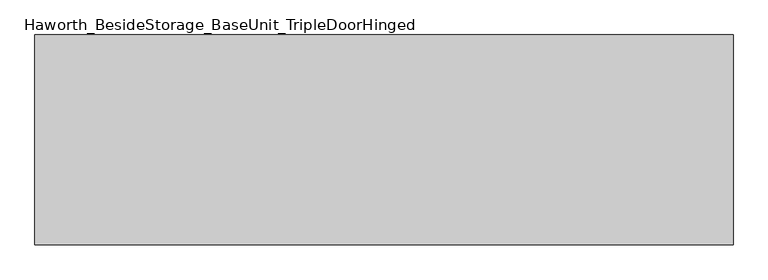
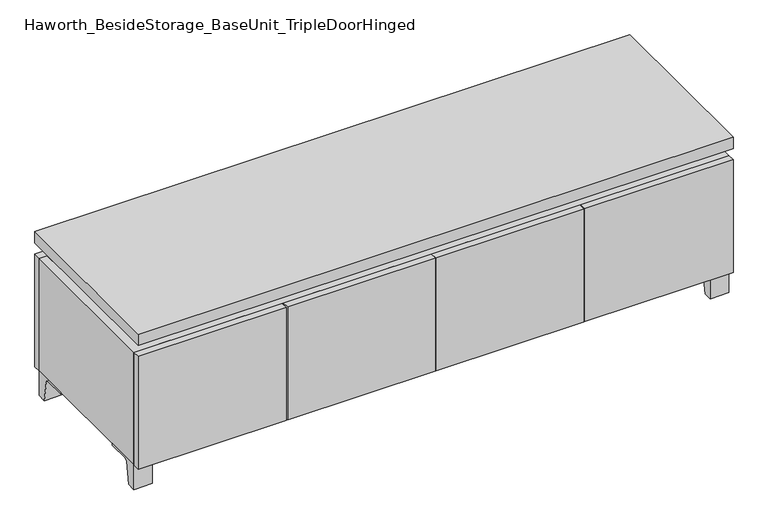
"""IFC4 building model written with IfcOpenShell, lengths in millimetres: furniture geometry, Haworth_BesideStorage_BaseUnit_TripleDoorHinged."""

import ifcopenshell
import ifcopenshell.guid

model = None  # the IFC model being written
_history = None  # IfcOwnerHistory: only IFC2X3 demands one
_inside = {}  # id of a spatial element -> (the spatial element, [elements in it])
_under = {}  # id of a project, library or spatial element -> (it, [spatial elements below it])
_declared = {}  # id of a project -> (the project, [libraries it declares])
_typed = {}  # id of a type object -> (the type object, [elements of that type])
_made_of = {}  # id of a material, layer set ... -> (it, [elements and type objects made of it])


def new_model(schema):
    """Start an empty IFC model of exactly this schema.

    Asked for "IFC4X3", IfcOpenShell would pick the latest addendum, in which some entities
    have other attributes; the version numbers below select the first issue.
    IFC2X3 requires an IfcOwnerHistory on every rooted entity: one is made here for all.
    """
    global model, _history
    if schema == "IFC4X3":
        model = ifcopenshell.file(schema_version=(4, 3, 0, 0))
    else:
        model = ifcopenshell.file(schema=schema)
    _inside.clear()
    _under.clear()
    _declared.clear()
    _typed.clear()
    _made_of.clear()
    _history = None
    if model.schema == "IFC2X3":
        org = make("IfcOrganization", Name="unknown")
        user = make(
            "IfcPersonAndOrganization",
            ThePerson=make("IfcPerson", FamilyName="unknown"),
            TheOrganization=org,
        )
        app = make(
            "IfcApplication",
            ApplicationDeveloper=org,
            Version="unknown",
            ApplicationFullName="unknown",
            ApplicationIdentifier="unknown",
        )
        _history = make(
            "IfcOwnerHistory",
            OwningUser=user,
            OwningApplication=app,
            ChangeAction="ADDED",
            CreationDate=0,
        )
    return model


def make(cls, **values):
    """One entity of the class cls with the attributes given. An attribute that is None is left unset."""
    return model.create_entity(
        cls, **{name: value for name, value in values.items() if value is not None}
    )


def rooted(cls, **values):
    """An entity with a GlobalId (a new one), such as an element, a storey or a relation."""
    return make(cls, GlobalId=ifcopenshell.guid.new(), OwnerHistory=_history, **values)


def si_unit(unit_type, name, prefix=None):
    """IfcSIUnit, for example si_unit("LENGTHUNIT", "METRE", prefix="MILLI")."""
    return make("IfcSIUnit", UnitType=unit_type, Prefix=prefix, Name=name)


def assignment(units):
    """IfcUnitAssignment: the units of a project."""
    return None if units is None else make("IfcUnitAssignment", Units=units)


def point(xyz):
    """IfcCartesianPoint."""
    return None if xyz is None else make("IfcCartesianPoint", Coordinates=xyz)


def direction(xyz):
    """IfcDirection."""
    return None if xyz is None else make("IfcDirection", DirectionRatios=xyz)


def frame(location, z_axis=None, x_axis=None):
    """IfcAxis2Placement3D, a coordinate frame: its origin and axes. An axis left out is left unset."""
    return make(
        "IfcAxis2Placement3D",
        Location=point(location),
        Axis=direction(z_axis),
        RefDirection=direction(x_axis),
    )


def frame_2d(location, x_axis=None):
    """IfcAxis2Placement2D, a coordinate frame in the plane: its origin and x axis."""
    return make(
        "IfcAxis2Placement2D", Location=point(location), RefDirection=direction(x_axis)
    )


def origin():
    """The frame at (0, 0, 0) with its axes left unset."""
    return frame((0.0, 0.0, 0.0))


def place(relative_to, where):
    """IfcLocalPlacement: puts the frame where relative to a parent placement (None: the world)."""
    return make(
        "IfcLocalPlacement", PlacementRelTo=relative_to, RelativePlacement=where
    )


def context(
    kind, dimensions, precision=None, world=None, true_north=None, identifier=None
):
    """IfcGeometricRepresentationContext, for example the 3D "Model" context."""
    return make(
        "IfcGeometricRepresentationContext",
        ContextIdentifier=identifier,
        ContextType=kind,
        CoordinateSpaceDimension=dimensions,
        Precision=precision,
        WorldCoordinateSystem=world,
        TrueNorth=true_north,
    )


def project(units=None, contexts=None):
    """IfcProject with its units and contexts."""
    return rooted(
        "IfcProject",
        Name="project",
        RepresentationContexts=contexts,
        UnitsInContext=assignment(units),
    )


def spatial(cls, under=None, at=None, **own):
    """A site, building, storey or space (cls), placed at a placement, below another one or the project."""
    s = rooted(cls, ObjectPlacement=at, **own)
    if under is not None:
        _under.setdefault(under.id(), (under, []))[1].append(s)
    return s


def polyline(points):
    """IfcPolyline through the points."""
    return make("IfcPolyline", Points=[point(p) for p in points])


def circle_curve(where, radius):
    """IfcCircle in the frame where."""
    return make("IfcCircle", Position=where, Radius=radius)


def trimmed(basis, trim1, trim2, sense, master):
    """IfcTrimmedCurve: the piece of a basis curve between two trims."""
    return make(
        "IfcTrimmedCurve",
        BasisCurve=basis,
        Trim1=trim1,
        Trim2=trim2,
        SenseAgreement=sense,
        MasterRepresentation=master,
    )


def segment(curve, same_sense, transition):
    """IfcCompositeCurveSegment."""
    return make(
        "IfcCompositeCurveSegment",
        Transition=transition,
        SameSense=same_sense,
        ParentCurve=curve,
    )


def composite_curve(segments, self_intersect=None):
    """IfcCompositeCurve: segments joined end to end."""
    return make("IfcCompositeCurve", Segments=segments, SelfIntersect=self_intersect)


def outline(outer, holes=None, kind="AREA"):
    """IfcArbitraryClosedProfileDef: a profile drawn as a closed curve; with holes, ...WithVoids."""
    if holes is None:
        return make("IfcArbitraryClosedProfileDef", ProfileType=kind, OuterCurve=outer)
    return make(
        "IfcArbitraryProfileDefWithVoids",
        ProfileType=kind,
        OuterCurve=outer,
        InnerCurves=holes,
    )


def extrude(swept, where, along, depth):
    """IfcExtrudedAreaSolid: the profile swept, set in the frame where, extruded along a direction by depth."""
    return make(
        "IfcExtrudedAreaSolid",
        SweptArea=swept,
        Position=where,
        ExtrudedDirection=direction(along),
        Depth=depth,
    )


def faces_of(points, faces, orient=None, outer=None):
    """IfcFace entities. A face is a list of loops; a loop is a list of indices into points, from 0.

    orient and outer hold one flag for each loop. By default every Orientation is true, the
    first loop of a face is its IfcFaceOuterBound and the others are IfcFaceBound.
    """
    made = []
    for i, loops in enumerate(faces):
        bounds = []
        for j, loop in enumerate(loops):
            is_outer = j == 0 if outer is None else outer[i][j]
            bounds.append(
                make(
                    "IfcFaceOuterBound" if is_outer else "IfcFaceBound",
                    Bound=make("IfcPolyLoop", Polygon=[points[k] for k in loop]),
                    Orientation=True if orient is None else orient[i][j],
                )
            )
        made.append(make("IfcFace", Bounds=bounds))
    return made


def faceted_brep(points, faces, orient=None, outer=None, voids=None):
    """IfcFacetedBrep: a solid bounded by flat faces; with voids (closed shells), ...WithVoids."""
    shared = [point(p) for p in points]
    hull = make("IfcClosedShell", CfsFaces=faces_of(shared, faces, orient, outer))
    if voids is None:
        return make("IfcFacetedBrep", Outer=hull)
    return make(
        "IfcFacetedBrepWithVoids",
        Outer=hull,
        Voids=[
            make(cls, CfsFaces=faces_of(shared, fs, o, b)) for cls, fs, o, b in voids
        ],
    )


def shape(context_of_items, identifier, shape_type, items):
    """IfcShapeRepresentation: the items that make up one representation, for example the "Body"."""
    return make(
        "IfcShapeRepresentation",
        ContextOfItems=context_of_items,
        RepresentationIdentifier=identifier,
        RepresentationType=shape_type,
        Items=items,
    )


def source(mapping_origin, context_of_items, identifier, shape_type, items):
    """IfcRepresentationMap: a shape defined once, which mapped items show again and again."""
    return make(
        "IfcRepresentationMap",
        MappingOrigin=mapping_origin,
        MappedRepresentation=shape(context_of_items, identifier, shape_type, items),
    )


def transform(
    local_origin,
    x_axis=None,
    y_axis=None,
    z_axis=None,
    scale=None,
    scale2=None,
    scale3=None,
    uniform=True,
):
    """IfcCartesianTransformationOperator3D, or its non-uniform kind. x_axis, y_axis, z_axis: its Axis1, 2, 3."""
    if uniform:
        return make(
            "IfcCartesianTransformationOperator3D",
            Axis1=direction(x_axis),
            Axis2=direction(y_axis),
            LocalOrigin=point(local_origin),
            Scale=scale,
            Axis3=direction(z_axis),
        )
    return make(
        "IfcCartesianTransformationOperator3DnonUniform",
        Axis1=direction(x_axis),
        Axis2=direction(y_axis),
        LocalOrigin=point(local_origin),
        Scale=scale,
        Axis3=direction(z_axis),
        Scale2=scale2,
        Scale3=scale3,
    )


def mapped(mapping_source, mapping_target):
    """IfcMappedItem: shows the shape of a source again, moved by a transform."""
    return make(
        "IfcMappedItem", MappingSource=mapping_source, MappingTarget=mapping_target
    )


def made_of(thing, what):
    """Note that an element or type object is made of a material, layer set ...; save() writes the relation."""
    if what is not None:
        _made_of.setdefault(what.id(), (what, []))[1].append(thing)
    return thing


def element(
    cls,
    number,
    at=None,
    inside=None,
    cuts=None,
    type_object=None,
    material=None,
    context=None,
    identifier="Body",
    shape_type=None,
    held_by="IfcProductDefinitionShape",
    body=None,
    shapes=None,
    **own,
):
    """One element of the class cls, such as IfcWall. Its Tag is "e" and its number.

    at: its placement. inside: the storey or other place that contains it. cuts: it is an
    opening in that element (IfcRelVoidsElement). A single representation is given by context,
    identifier, shape_type and body (its items); several are given by shapes. held_by: the class
    of the entity that holds the representations. save() writes the other relations.
    """
    e = rooted(cls, Tag="e%d" % number, ObjectPlacement=at, **own)
    if body is not None:
        shapes = [shape(context, identifier, shape_type, body)]
    if shapes is not None:
        e.Representation = make(held_by, Representations=shapes)
    if inside is not None:
        _inside.setdefault(inside.id(), (inside, []))[1].append(e)
    if cuts is not None:
        rooted(
            "IfcRelVoidsElement", RelatingBuildingElement=cuts, RelatedOpeningElement=e
        )
    if type_object is not None:
        _typed.setdefault(type_object.id(), (type_object, []))[1].append(e)
    return made_of(e, material)


def aggregate(whole, parts):
    """IfcRelAggregates: a whole, such as a stair, and the parts it consists of."""
    return rooted("IfcRelAggregates", RelatingObject=whole, RelatedObjects=parts)


def save(model, path):
    """Write the relations noted so far, then the file.

    IfcRelAggregates (storeys below a building ...), IfcRelContainedInSpatialStructure (elements
    in a storey), IfcRelDefinesByType, IfcRelAssociatesMaterial and IfcRelDeclares: one each for
    every whole, place, type object, material and project.
    """
    for whole, parts in _under.values():
        aggregate(whole, parts)
    for where, things in _inside.values():
        rooted(
            "IfcRelContainedInSpatialStructure",
            RelatedElements=things,
            RelatingStructure=where,
        )
    for kind, things in _typed.values():
        rooted("IfcRelDefinesByType", RelatedObjects=things, RelatingType=kind)
    for what, things in _made_of.values():
        rooted("IfcRelAssociatesMaterial", RelatedObjects=things, RelatingMaterial=what)
    for by, libraries in _declared.values():
        rooted("IfcRelDeclares", RelatingContext=by, RelatedDefinitions=libraries)
    model.write(path)


def haworth_besidestorage_baseunit_tripledoorhinged_a176bd1a(model_context):
    return source(origin(), model_context, "Body", "SolidModel", [
        extrude(outline(composite_curve([segment(polyline([(38.6291531, 0.0), (15.875, 0.0), (15.875, 66.675), (111.125, 66.675), (111.125, 61.8963321), (54.3244655, 61.8963321)]), True, "CONTINUOUS"), segment(trimmed(circle_curve(frame_2d((54.3244655, 55.5463321)), 6.35), [point((54.3244655, 61.8963321))], [point((48.0608641, 56.5902656))], True, "CARTESIAN"), True, "CONTINUOUS"), segment(polyline([(48.0608641, 56.5902656), (38.6291531, 0.0)]), True, "CONTINUOUS")], self_intersect=False)), frame((-23.7986094, 0.0, 0.0), z_axis=(1.0, 0.0, 0.0), x_axis=(0.0, 1.0, 0.0)), (0.0, 0.0, 1.0), 47.625),
        extrude(outline(composite_curve([segment(polyline([(-129.6458469, 0.0), (-152.4, 0.0), (-152.4, 66.675), (-57.15, 66.675), (-57.15, 61.8963321), (-113.9505345, 61.8963321)]), True, "CONTINUOUS"), segment(trimmed(circle_curve(frame_2d((-113.9505345, 55.5463321)), 6.35), [point((-113.9505345, 61.8963321))], [point((-120.2141359, 56.5902656))], True, "CARTESIAN"), True, "CONTINUOUS"), segment(polyline([(-120.2141359, 56.5902656), (-129.6458469, 0.0)]), True, "CONTINUOUS")], self_intersect=False)), frame((712.8013906, 0.0, 0.0), z_axis=(1.0, 0.0, 0.0), x_axis=(0.0, 1.0, 0.0)), (0.0, 0.0, 1.0), 47.625),
        extrude(outline(composite_curve([segment(polyline([(243.9458469, 0.0), (234.5141359, 56.5902656)]), True, "CONTINUOUS"), segment(trimmed(circle_curve(frame_2d((228.2505345, 55.5463321)), 6.35), [point((234.5141359, 56.5902656))], [point((228.2505345, 61.8963321))], True, "CARTESIAN"), True, "CONTINUOUS"), segment(polyline([(228.2505345, 61.8963321), (171.45, 61.8963321), (171.45, 66.675), (266.7, 66.675), (266.7, 0.0), (243.9458469, 0.0)]), True, "CONTINUOUS")], self_intersect=False)), frame((712.8013906, 0.0, 0.0), z_axis=(1.0, 0.0, 0.0), x_axis=(0.0, 1.0, 0.0)), (0.0, 0.0, 1.0), 47.625),
        extrude(outline(composite_curve([segment(polyline([(-129.6458469, 0.0), (-152.4, 0.0), (-152.4, 66.675), (-57.15, 66.675), (-57.15, 61.8963321), (-113.9505345, 61.8963321)]), True, "CONTINUOUS"), segment(trimmed(circle_curve(frame_2d((-113.9505345, 55.5463321)), 6.35), [point((-113.9505345, 61.8963321))], [point((-120.2141359, 56.5902656))], True, "CARTESIAN"), True, "CONTINUOUS"), segment(polyline([(-120.2141359, 56.5902656), (-129.6458469, 0.0)]), True, "CONTINUOUS")], self_intersect=False)), frame((-760.3986094, 0.0, 0.0), z_axis=(1.0, 0.0, 0.0), x_axis=(0.0, 1.0, 0.0)), (0.0, 0.0, 1.0), 47.625),
        extrude(outline(composite_curve([segment(polyline([(243.9458469, 0.0), (234.5141359, 56.5902656)]), True, "CONTINUOUS"), segment(trimmed(circle_curve(frame_2d((228.2505345, 55.5463321)), 6.35), [point((234.5141359, 56.5902656))], [point((228.2505345, 61.8963321))], True, "CARTESIAN"), True, "CONTINUOUS"), segment(polyline([(228.2505345, 61.8963321), (171.45, 61.8963321), (171.45, 66.675), (266.7, 66.675), (266.7, 0.0), (243.9458469, 0.0)]), True, "CONTINUOUS")], self_intersect=False)), frame((-760.3986094, 0.0, 0.0), z_axis=(1.0, 0.0, 0.0), x_axis=(0.0, 1.0, 0.0)), (0.0, 0.0, 1.0), 47.625),
        faceted_brep([(-760.3986094, -152.4, 66.675), (760.4125, -152.4, 66.675), (760.4125, -152.4, 371.475), (-760.3986094, -152.4, 371.475), (-741.3486094, -152.4, 85.725), (-741.3486094, -152.4, 352.425), (741.3694453, -152.4, 352.425), (741.3486094, -152.4, 85.725), (-760.3986094, 266.7, 66.675), (-760.3986094, 266.7, 371.475), (-741.3486094, 266.7, 371.475), (-741.3486094, 266.7, 85.725), (741.3486094, 266.7, 85.725), (741.3486094, 266.7, 371.475), (760.4125, 266.7, 371.475), (760.4125, 266.7, 66.675), (741.3486094, 241.3, 371.475), (-741.3416641, 241.3, 371.475), (-741.3486094, 241.3, 352.425), (741.3486094, 241.3, 352.425)], [[[0, 1, 2, 3], [4, 5, 6, 7]], [[8, 9, 10, 11, 12, 13, 14, 15]], [[1, 0, 8, 15]], [[2, 1, 15, 14]], [[3, 2, 14, 13, 16, 17, 10, 9]], [[0, 3, 9, 8]], [[11, 10, 17, 18, 5, 4]], [[13, 12, 7, 6, 19, 16]], [[4, 7, 12, 11]], [[6, 5, 18, 19]], [[17, 16, 19, 18]]]),
        extrude(outline(polyline([(760.4263906, -171.45), (-760.3986094, -171.45), (-760.3986094, 285.75), (760.4263906, 285.75), (760.4263906, -171.45)])), frame((0.0, 0.0, 401.6375), z_axis=(0.0, 0.0, 1.0), x_axis=(1.0, 0.0, 0.0)), (0.0, 0.0, 1.0), 30.1625),
        faceted_brep([(7.9513906, -76.2, 401.6375), (7.9513906, -76.2, 371.475), (7.9513906, 47.625, 371.475), (7.9513906, 47.625, 401.6375), (7.9513906, 190.5, 371.475), (7.9513906, 190.5, 401.6375), (7.9513906, 66.675, 401.6375), (7.9513906, 66.675, 371.475), (-7.9236094, 190.5, 401.6375), (-7.9236094, 190.5, 371.475), (-7.9236094, 66.675, 371.475), (-7.9236094, 66.675, 401.6375), (-7.9236094, -76.2, 371.475), (-7.9236094, -76.2, 401.6375), (-7.9236094, 47.625, 401.6375), (-7.9236094, 47.625, 371.475), (-719.0958281, 66.675, 401.6375), (-719.1166641, 241.3, 401.6375), (-734.9916641, 241.3, 401.6375), (-734.9916641, -127.0, 401.6375), (-719.1166641, -127.0, 401.6375), (-719.1166641, 47.625, 401.6375), (719.1236094, 47.625, 401.6375), (719.1236094, -127.0, 401.6375), (734.9986094, -127.0, 401.6375), (734.9986094, 241.3, 401.6375), (719.1236094, 241.3, 401.6375), (719.1236094, 66.675, 401.6375), (-719.0958281, 47.625, 371.475), (-719.1166641, -127.0, 371.475), (-734.9916641, -127.0, 371.475), (-734.9916641, 241.3, 371.475), (-719.1166641, 241.3, 371.475), (-719.1166641, 66.675, 371.475), (719.1236094, 66.675, 371.475), (719.1236094, 241.3, 371.475), (734.9986094, 241.3, 371.475), (734.9986094, -127.0, 371.475), (719.1236094, -127.0, 371.475), (719.1236094, 47.625, 371.475)], [[[0, 1, 2, 3]], [[4, 5, 6, 7]], [[8, 9, 10, 11]], [[12, 13, 14, 15]], [[5, 8, 11, 16, 17, 18, 19, 20, 21, 14, 13, 0, 3, 22, 23, 24, 25, 26, 27, 6]], [[1, 12, 15, 28, 29, 30, 31, 32, 33, 10, 9, 4, 7, 34, 35, 36, 37, 38, 39, 2]], [[5, 4, 9, 8]], [[1, 0, 13, 12]], [[6, 27, 34, 7]], [[22, 3, 2, 39]], [[20, 29, 28, 21]], [[32, 17, 16, 33]], [[18, 31, 30, 19]], [[29, 20, 19, 30]], [[17, 32, 31, 18]], [[26, 35, 34, 27]], [[38, 23, 22, 39]], [[25, 24, 37, 36]], [[23, 38, 37, 24]], [[35, 26, 25, 36]], [[16, 11, 10, 33]], [[14, 21, 28, 15]]]),
        extrude(outline(polyline([(760.4263906, 266.7), (-760.3986094, 266.7), (-760.3986094, 285.75), (760.4263906, 285.75), (760.4263906, 266.7)])), frame((0.0, 0.0, 66.675), z_axis=(0.0, 0.0, 1.0), x_axis=(1.0, 0.0, 0.0)), (0.0, 0.0, 1.0), 304.8),
        extrude(outline(polyline([(-741.3416641, 196.85), (-741.3416641, 203.2), (741.3694453, 203.2), (741.3694453, 196.85), (-741.3416641, 196.85)])), frame((0.0, 0.0, 85.725), z_axis=(0.0, 0.0, 1.0), x_axis=(1.0, 0.0, 0.0)), (0.0, 0.0, 1.0), 266.7),
        extrude(outline(polyline([(381.8076406, -171.45), (381.8076406, -152.4), (760.4263906, -152.4), (760.4263906, -171.45), (381.8076406, -171.45)])), frame((0.0, 0.0, 66.675), z_axis=(0.0, 0.0, 1.0), x_axis=(1.0, 0.0, 0.0)), (0.0, 0.0, 1.0), 304.8),
        extrude(outline(polyline([(-381.7798594, -171.45), (-760.3986094, -171.45), (-760.3986094, -152.4), (-381.7798594, -152.4), (-381.7798594, -171.45)])), frame((0.0, 0.0, 66.675), z_axis=(0.0, 0.0, 1.0), x_axis=(1.0, 0.0, 0.0)), (0.0, 0.0, 1.0), 304.8),
        extrude(outline(polyline([(0.0138906, -171.45), (0.0138906, -152.4), (378.6326406, -152.4), (378.6326406, -171.45), (0.0138906, -171.45)])), frame((0.0, 0.0, 66.675), z_axis=(0.0, 0.0, 1.0), x_axis=(1.0, 0.0, 0.0)), (0.0, 0.0, 1.0), 304.8),
        extrude(outline(polyline([(0.0138906, -171.45), (-378.6048594, -171.45), (-378.6048594, -152.4), (0.0138906, -152.4), (0.0138906, -171.45)])), frame((0.0, 0.0, 66.675), z_axis=(0.0, 0.0, 1.0), x_axis=(1.0, 0.0, 0.0)), (0.0, 0.0, 1.0), 304.8),
        extrude(outline(polyline([(370.6951406, 196.85), (389.7451406, 196.85), (389.7451406, -152.4), (370.6951406, -152.4), (370.6951406, 196.85)])), frame((0.0, 0.0, 85.725), z_axis=(0.0, 0.0, 1.0), x_axis=(1.0, 0.0, 0.0)), (0.0, 0.0, 1.0), 266.7),
        extrude(outline(polyline([(-389.7173594, 196.85), (-370.6673594, 196.85), (-370.6673594, -152.4), (-389.7173594, -152.4), (-389.7173594, 196.85)])), frame((0.0, 0.0, 85.725), z_axis=(0.0, 0.0, 1.0), x_axis=(1.0, 0.0, 0.0)), (0.0, 0.0, 1.0), 266.7),
    ])


if __name__ == "__main__":
    model = new_model("IFC4")
    model_context = context("Model", 3, world=origin())
    ifc_project = project(units=[si_unit("LENGTHUNIT", "METRE", prefix="MILLI")], contexts=[model_context])
    site = spatial("IfcSite", under=ifc_project)
    building = spatial("IfcBuilding", under=site)
    placement = place(None, origin())
    haworth_besidestorage_baseunit_tripledoorhinged_shape = haworth_besidestorage_baseunit_tripledoorhinged_a176bd1a(model_context)
    element("IfcFurniture", 1, ObjectType="Haworth_BesideStorage_BaseUnit_TripleDoorHinged", at=placement, inside=building, context=model_context, shape_type="MappedRepresentation", body=[
        mapped(haworth_besidestorage_baseunit_tripledoorhinged_shape, transform((0.0, 0.0, 0.0), x_axis=(1.0, 0.0, 0.0), y_axis=(0.0, 1.0, 0.0), z_axis=(0.0, 0.0, 1.0))),
    ])
    save(model, "model.ifc")
